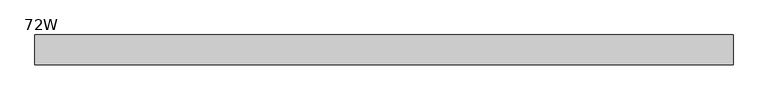
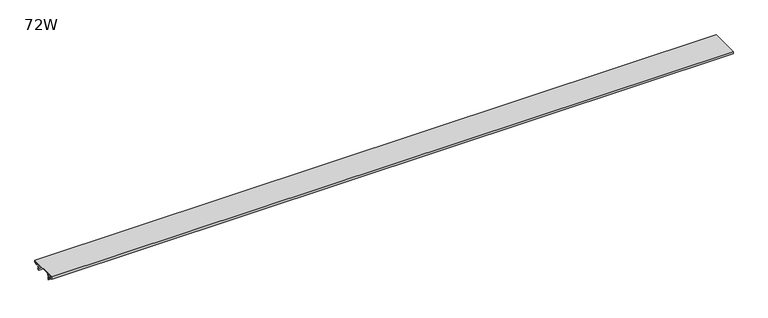
"""IFC4 building model written with IfcOpenShell, lengths in millimetres: furniture geometry, 72W."""

from ifc_helpers import new_model, si_unit, frame, origin, place, context, project, spatial, polyline, outline, extrude, source, transform, mapped, element, save


def furniture_72w_622bd05c(model_context):
    return source(origin(), model_context, "Body", "SweptSolid", [
        extrude(outline(polyline([(-56.6285495, 735.076), (-62.6485619, 727.2048814), (-60.7418795, 723.862318), (-62.3942239, 722.0086001), (-62.4366783, 721.1985204), (-61.2472544, 718.4898), (-62.7712522, 718.4898), (-63.9606814, 721.1985211), (-63.9182269, 722.0086001), (-62.2658808, 723.8623144), (-64.1725601, 727.2048819), (-58.1525481, 735.076), (-56.6285495, 735.076)])), frame((0.0, 0.0, 0.0), z_axis=(1.0, 0.0, 0.0), x_axis=(0.0, 1.0, 0.0)), (0.0, 0.0, 1.0), 1828.8),
        extrude(outline(polyline([(-21.5780533, 735.076), (-20.0540547, 735.076), (-14.0340427, 727.2048819), (-15.940722, 723.8623144), (-14.2883758, 722.0086001), (-14.2459214, 721.1985211), (-15.4353506, 718.4898), (-16.9593484, 718.4898), (-15.7699245, 721.1985204), (-15.8123789, 722.0086001), (-17.4647233, 723.862318), (-15.5580409, 727.2048814), (-21.5780533, 735.076)])), frame((0.0, 0.0, 0.0), z_axis=(1.0, 0.0, 0.0), x_axis=(0.0, 1.0, 0.0)), (0.0, 0.0, 1.0), 1828.8),
        extrude(outline(polyline([(-78.0288028, 729.742), (-78.0288028, 736.6), (-0.1778, 736.6), (-0.1778, 729.742), (-9.7027998, 729.742), (-9.7027998, 731.266), (-1.7018001, 731.266), (-1.7018001, 735.076), (-76.5048042, 735.076), (-76.5048042, 731.266), (-68.5037982, 731.266), (-68.5037982, 729.742), (-78.0288028, 729.742)])), frame((0.0, 0.0, 0.0), z_axis=(1.0, 0.0, 0.0), x_axis=(0.0, 1.0, 0.0)), (0.0, 0.0, 1.0), 1828.8),
    ])


if __name__ == "__main__":
    model = new_model("IFC4")
    model_context = context("Model", 3, world=origin())
    ifc_project = project(units=[si_unit("LENGTHUNIT", "METRE", prefix="MILLI")], contexts=[model_context])
    site = spatial("IfcSite", under=ifc_project)
    building = spatial("IfcBuilding", under=site)
    placement = place(None, origin())
    furniture_72w_shape = furniture_72w_622bd05c(model_context)
    element("IfcFurniture", 1, ObjectType="72W", at=placement, inside=building, context=model_context, shape_type="MappedRepresentation", body=[
        mapped(furniture_72w_shape, transform((0.0, 0.0, 0.0), x_axis=(1.0, 0.0, 0.0), y_axis=(0.0, 1.0, 0.0), z_axis=(0.0, 0.0, 1.0))),
    ])
    save(model, "model.ifc")
